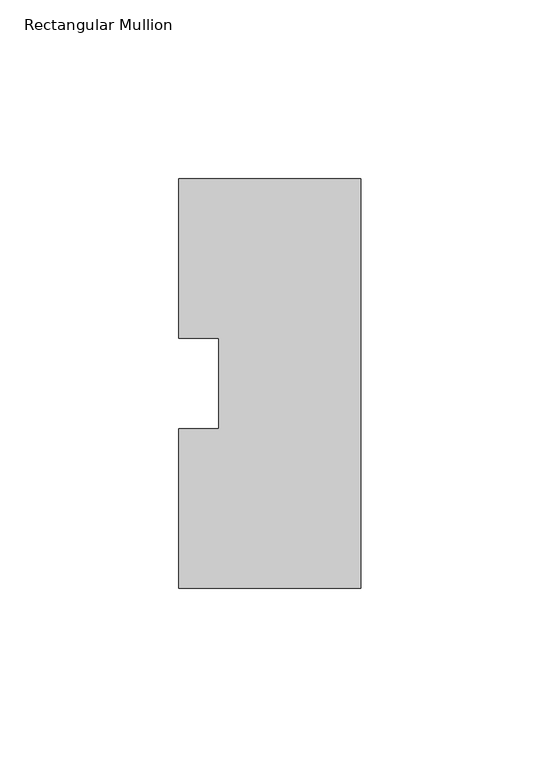
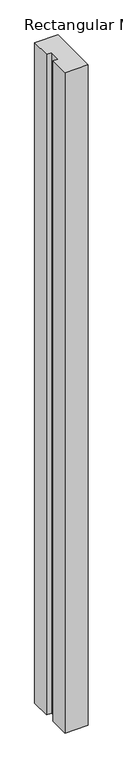
"""IFC4 building model written with IfcOpenShell, lengths in millimetres: member geometry, Rectangular Mullion."""

from ifc_helpers import new_model, si_unit, frame, origin, place, context, project, spatial, polyline, outline, extrude, source, transform, mapped, element, save


def rectangular_mullion_b069f1f0(model_context):
    return source(origin(), model_context, "Body", "SweptSolid", [
        extrude(outline(polyline([(0.0, -57.15), (-50.8, -57.15), (-50.8, -12.7), (-39.6875, -12.7), (-39.6875, 12.7), (-50.8, 12.7), (-50.8, 57.15), (0.0, 57.15), (0.0, -57.15)])), frame((0.0, 0.0, -1524.0), z_axis=(0.0, 0.0, 1.0), x_axis=(1.0, 0.0, 0.0)), (0.0, 0.0, 1.0), 1524.0),
    ])


if __name__ == "__main__":
    model = new_model("IFC4")
    model_context = context("Model", 3, world=origin())
    ifc_project = project(units=[si_unit("LENGTHUNIT", "METRE", prefix="MILLI")], contexts=[model_context])
    site = spatial("IfcSite", under=ifc_project)
    building = spatial("IfcBuilding", under=site)
    placement = place(None, origin())
    rectangular_mullion_shape = rectangular_mullion_b069f1f0(model_context)
    element("IfcMember", 1, ObjectType="Rectangular Mullion", at=placement, inside=building, context=model_context, shape_type="MappedRepresentation", body=[
        mapped(rectangular_mullion_shape, transform((0.0, 0.0, 0.0), x_axis=(1.0, 0.0, 0.0), y_axis=(0.0, 1.0, 0.0), z_axis=(0.0, 0.0, 1.0))),
    ])
    save(model, "model.ifc")
